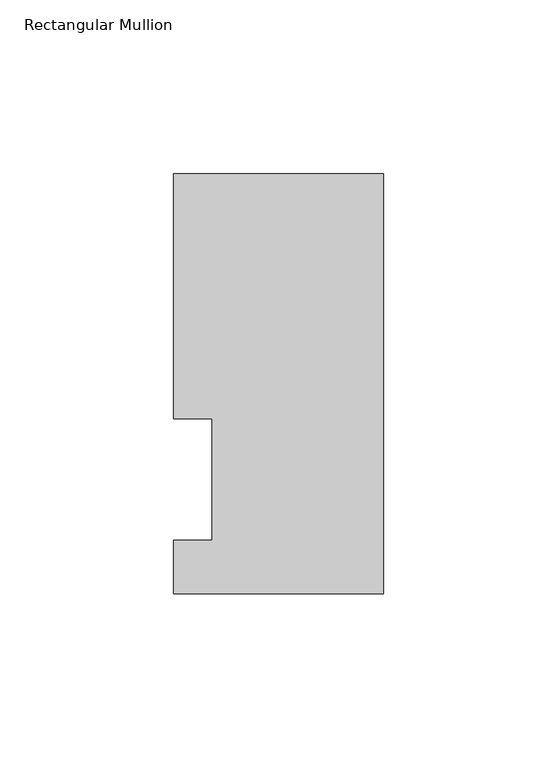
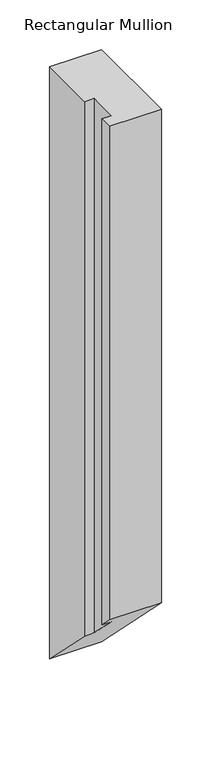
"""IFC4 building model written with IfcOpenShell, lengths in millimetres: member geometry, Rectangular Mullion."""

from ifc_helpers import new_model, si_unit, origin, place, context, project, spatial, faceted_brep, source, transform, mapped, element, save


def rectangular_mullion_2e425dc6(model_context):
    return source(origin(), model_context, "Body", "Brep", [
        faceted_brep([(0.0, -3.3164122, 0.0), (0.0, 117.4859878, 0.0), (-60.3251015, 117.4859878, 0.0), (-60.3251015, 47.0517878, 0.0), (-49.2253015, 47.0517878, 0.0), (-49.2253015, 12.1267878, 0.0), (-60.3251015, 12.1267878, 0.0), (-60.3251015, -3.3164122, 0.0), (0.0, -3.3164122, -606.2835878), (0.0, 117.4859878, -727.0859878), (-60.3251015, 117.4859878, -727.0859878), (-60.3251015, 47.0517878, -656.6517878), (-49.2253015, 47.0517878, -656.6517878), (-49.2253015, 12.1267878, -621.7267878), (-60.3251015, 12.1267878, -621.7267878), (-60.3251015, -3.3164122, -606.2835878)], [[[0, 1, 2, 3, 4, 5, 6, 7]], [[1, 0, 8, 9]], [[2, 1, 9, 10]], [[3, 2, 10, 11]], [[4, 3, 11, 12]], [[5, 4, 12, 13]], [[6, 5, 13, 14]], [[7, 6, 14, 15]], [[0, 7, 15, 8]], [[8, 15, 14, 13, 12, 11, 10, 9]]]),
    ])


if __name__ == "__main__":
    model = new_model("IFC4")
    model_context = context("Model", 3, world=origin())
    ifc_project = project(units=[si_unit("LENGTHUNIT", "METRE", prefix="MILLI")], contexts=[model_context])
    site = spatial("IfcSite", under=ifc_project)
    building = spatial("IfcBuilding", under=site)
    placement = place(None, origin())
    rectangular_mullion_shape = rectangular_mullion_2e425dc6(model_context)
    element("IfcMember", 1, ObjectType="Rectangular Mullion", at=placement, inside=building, context=model_context, shape_type="MappedRepresentation", body=[
        mapped(rectangular_mullion_shape, transform((0.0, 0.0, 0.0), x_axis=(1.0, 0.0, 0.0), y_axis=(0.0, 1.0, 0.0), z_axis=(0.0, 0.0, 1.0))),
    ])
    save(model, "model.ifc")
